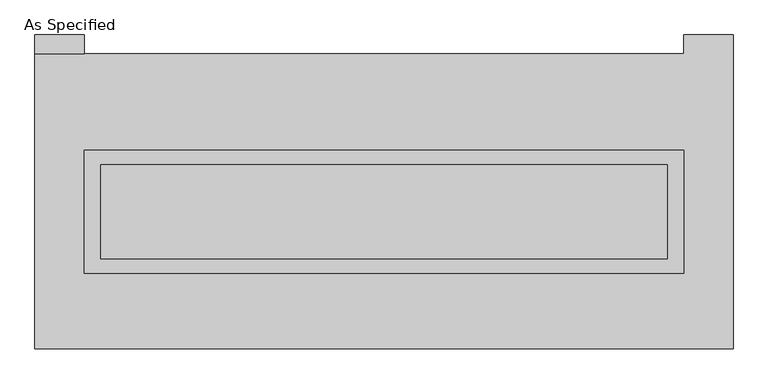
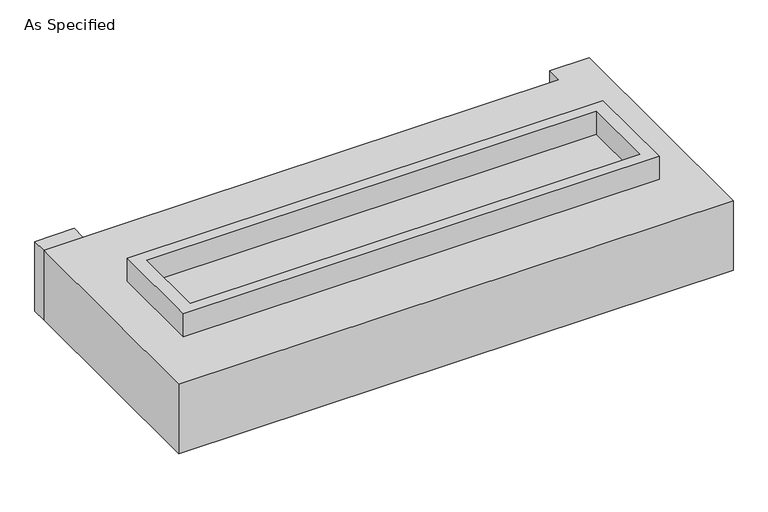
"""IFC4 building model written with IfcOpenShell, lengths in millimetres: proxy geometry, As Specified."""

from ifc_helpers import new_model, si_unit, frame, origin, place, context, project, spatial, polyline, outline, extrude, source, transform, mapped, element, save


def as_specified_ee900d50(model_context):
    return source(origin(), model_context, "Body", "SweptSolid", [
        extrude(outline(polyline([(1612.9, 273.05), (1612.9, -387.35), (-1612.9, -387.35), (-1612.9, 273.05), (1612.9, 273.05)]), holes=[polyline([(1524.0, 196.85), (-1524.0, 196.85), (-1524.0, -311.15), (1524.0, -311.15), (1524.0, 196.85)])]), frame((0.0, 0.0, -688.975), z_axis=(0.0, 0.0, 1.0), x_axis=(1.0, 0.0, 0.0)), (0.0, 0.0, 1.0), 165.1),
        extrude(outline(polyline([(1612.9, 273.05), (1612.9, -387.35), (-1612.9, -387.35), (-1612.9, 273.05), (1612.9, 273.05)]), holes=[polyline([(1524.0, 196.85), (-1524.0, 196.85), (-1524.0, -311.15), (1524.0, -311.15), (1524.0, 196.85)])]), frame((0.0, 0.0, -25.4), z_axis=(0.0, 0.0, 1.0), x_axis=(1.0, 0.0, 0.0)), (0.0, 0.0, 1.0), 165.1),
        extrude(outline(polyline([(-1612.9, 793.75), (-1879.6, 793.75), (-1879.6, 895.35), (-1612.9, 895.35), (-1612.9, 793.75)])), frame((0.0, 0.0, -523.875), z_axis=(0.0, 0.0, 1.0), x_axis=(1.0, 0.0, 0.0)), (0.0, 0.0, 1.0), 498.475),
        extrude(outline(polyline([(1524.0, 196.85), (1524.0, -311.15), (-1524.0, -311.15), (-1524.0, 196.85), (1524.0, 196.85)])), frame((0.0, 0.0, -523.875), z_axis=(0.0, 0.0, 1.0), x_axis=(1.0, 0.0, 0.0)), (0.0, 0.0, 1.0), 4.9609375),
        extrude(outline(polyline([(1524.0, 196.85), (1524.0, -311.15), (-1524.0, -311.15), (-1524.0, 196.85), (1524.0, 196.85)])), frame((0.0, 0.0, -30.3609375), z_axis=(0.0, 0.0, 1.0), x_axis=(1.0, 0.0, 0.0)), (0.0, 0.0, 1.0), 4.9609375),
        extrude(outline(polyline([(1879.6, -793.75), (-1879.6, -793.75), (-1879.6, 793.75), (1612.9, 793.75), (1612.9, 895.35), (1879.6, 895.35), (1879.6, -793.75)]), holes=[polyline([(-1612.9, 273.05), (-1612.9, -387.35), (1612.9, -387.35), (1612.9, 273.05), (-1612.9, 273.05)])]), frame((0.0, 0.0, -523.875), z_axis=(0.0, 0.0, 1.0), x_axis=(1.0, 0.0, 0.0)), (0.0, 0.0, 1.0), 498.475),
    ])


if __name__ == "__main__":
    model = new_model("IFC4")
    model_context = context("Model", 3, world=origin())
    ifc_project = project(units=[si_unit("LENGTHUNIT", "METRE", prefix="MILLI")], contexts=[model_context])
    site = spatial("IfcSite", under=ifc_project)
    building = spatial("IfcBuilding", under=site)
    placement = place(None, origin())
    as_specified_shape = as_specified_ee900d50(model_context)
    element("IfcBuildingElementProxy", 1, Name="As Specified", ObjectType="As Specified", at=placement, inside=building, context=model_context, shape_type="MappedRepresentation", body=[
        mapped(as_specified_shape, transform((0.0, 0.0, 0.0), x_axis=(1.0, 0.0, 0.0), y_axis=(0.0, 1.0, 0.0), z_axis=(0.0, 0.0, 1.0))),
    ])
    save(model, "model.ifc")
